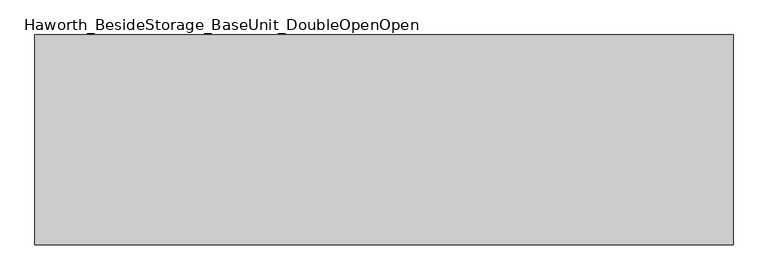
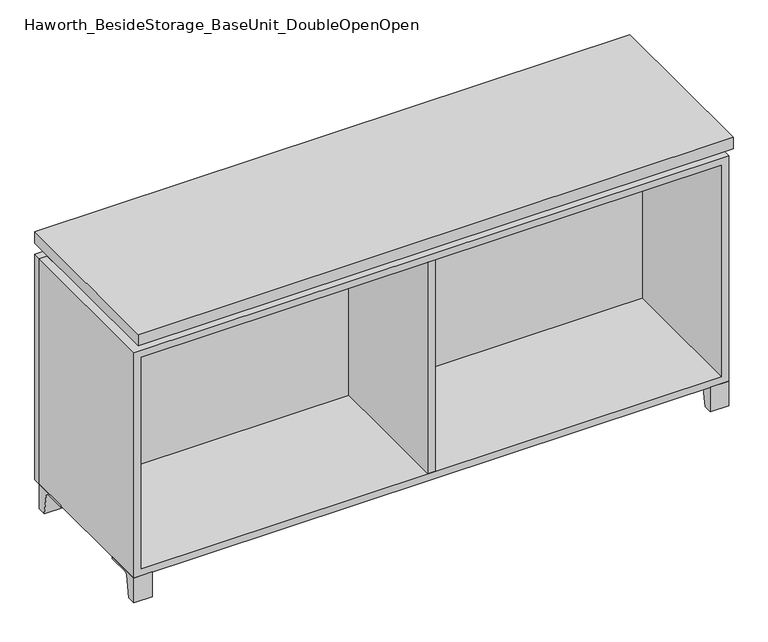
"""IFC4 building model written with IfcOpenShell, lengths in millimetres: furniture geometry, Haworth_BesideStorage_BaseUnit_DoubleOpenOpen."""

from ifc_helpers import new_model, si_unit, point, frame, frame_2d, origin, place, context, project, spatial, polyline, circle_curve, trimmed, segment, composite_curve, outline, extrude, faceted_brep, source, transform, mapped, element, save


def haworth_besidestorage_baseunit_doubleopenopen_915505ce(model_context):
    return source(origin(), model_context, "Body", "SolidModel", [
        extrude(outline(composite_curve([segment(polyline([(44.9791531, 0.0), (22.225, 0.0), (22.225, 66.675), (117.475, 66.675), (117.475, 61.8963321), (60.6744655, 61.8963321)]), True, "CONTINUOUS"), segment(trimmed(circle_curve(frame_2d((60.6744655, 55.5463321)), 6.35), [point((60.6744655, 61.8963321))], [point((54.4108641, 56.5902656))], True, "CARTESIAN"), True, "CONTINUOUS"), segment(polyline([(54.4108641, 56.5902656), (44.9791531, 0.0)]), True, "CONTINUOUS")], self_intersect=False)), frame((-23.7986094, 0.0, 0.0), z_axis=(1.0, 0.0, 0.0), x_axis=(0.0, 1.0, 0.0)), (0.0, 0.0, 1.0), 47.625),
        extrude(outline(composite_curve([segment(polyline([(-123.2958469, 0.0), (-146.05, 0.0), (-146.05, 66.675), (-50.8, 66.675), (-50.8, 61.8963321), (-107.6005345, 61.8963321)]), True, "CONTINUOUS"), segment(trimmed(circle_curve(frame_2d((-107.6005345, 55.5463321)), 6.35), [point((-107.6005345, 61.8963321))], [point((-113.8641359, 56.5902656))], True, "CARTESIAN"), True, "CONTINUOUS"), segment(polyline([(-113.8641359, 56.5902656), (-123.2958469, 0.0)]), True, "CONTINUOUS")], self_intersect=False)), frame((712.8013906, 0.0, 0.0), z_axis=(1.0, 0.0, 0.0), x_axis=(0.0, 1.0, 0.0)), (0.0, 0.0, 1.0), 47.625),
        extrude(outline(composite_curve([segment(polyline([(250.2958469, 0.0), (240.8641359, 56.5902656)]), True, "CONTINUOUS"), segment(trimmed(circle_curve(frame_2d((234.6005345, 55.5463321)), 6.35), [point((240.8641359, 56.5902656))], [point((234.6005345, 61.8963321))], True, "CARTESIAN"), True, "CONTINUOUS"), segment(polyline([(234.6005345, 61.8963321), (177.8, 61.8963321), (177.8, 66.675), (273.05, 66.675), (273.05, 0.0), (250.2958469, 0.0)]), True, "CONTINUOUS")], self_intersect=False)), frame((712.8013906, 0.0, 0.0), z_axis=(1.0, 0.0, 0.0), x_axis=(0.0, 1.0, 0.0)), (0.0, 0.0, 1.0), 47.625),
        extrude(outline(composite_curve([segment(polyline([(-123.2958469, 0.0), (-146.05, 0.0), (-146.05, 66.675), (-50.8, 66.675), (-50.8, 61.8963321), (-107.6005345, 61.8963321)]), True, "CONTINUOUS"), segment(trimmed(circle_curve(frame_2d((-107.6005345, 55.5463321)), 6.35), [point((-107.6005345, 61.8963321))], [point((-113.8641359, 56.5902656))], True, "CARTESIAN"), True, "CONTINUOUS"), segment(polyline([(-113.8641359, 56.5902656), (-123.2958469, 0.0)]), True, "CONTINUOUS")], self_intersect=False)), frame((-760.3986094, 0.0, 0.0), z_axis=(1.0, 0.0, 0.0), x_axis=(0.0, 1.0, 0.0)), (0.0, 0.0, 1.0), 47.625),
        extrude(outline(composite_curve([segment(polyline([(250.2958469, 0.0), (240.8641359, 56.5902656)]), True, "CONTINUOUS"), segment(trimmed(circle_curve(frame_2d((234.6005345, 55.5463321)), 6.35), [point((240.8641359, 56.5902656))], [point((234.6005345, 61.8963321))], True, "CARTESIAN"), True, "CONTINUOUS"), segment(polyline([(234.6005345, 61.8963321), (177.8, 61.8963321), (177.8, 66.675), (273.05, 66.675), (273.05, 0.0), (250.2958469, 0.0)]), True, "CONTINUOUS")], self_intersect=False)), frame((-760.3986094, 0.0, 0.0), z_axis=(1.0, 0.0, 0.0), x_axis=(0.0, 1.0, 0.0)), (0.0, 0.0, 1.0), 47.625),
        faceted_brep([(-760.3986094, -146.05, 66.675), (760.4125, -146.05, 66.675), (760.4125, -146.05, 676.275), (-760.3986094, -146.05, 676.275), (-741.3486094, -146.05, 85.725), (-741.3486094, -146.05, 657.225), (741.3694453, -146.05, 657.225), (741.3486094, -146.05, 85.725), (-760.3986094, 273.05, 66.675), (-760.3986094, 273.05, 676.275), (-741.3486094, 273.05, 676.275), (-741.3486094, 273.05, 85.725), (741.3486094, 273.05, 85.725), (741.3486094, 273.05, 676.275), (760.4125, 273.05, 676.275), (760.4125, 273.05, 66.675), (741.3486094, 247.65, 676.275), (-741.3416641, 247.65, 676.275), (-741.3486094, 247.65, 657.225), (741.3486094, 247.65, 657.225)], [[[0, 1, 2, 3], [4, 5, 6, 7]], [[8, 9, 10, 11, 12, 13, 14, 15]], [[1, 0, 8, 15]], [[2, 1, 15, 14]], [[3, 2, 14, 13, 16, 17, 10, 9]], [[0, 3, 9, 8]], [[11, 10, 17, 18, 5, 4]], [[13, 12, 7, 6, 19, 16]], [[4, 7, 12, 11]], [[6, 5, 18, 19]], [[17, 16, 19, 18]]]),
        extrude(outline(polyline([(760.4263906, -165.1), (-760.3986094, -165.1), (-760.3986094, 292.1), (760.4263906, 292.1), (760.4263906, -165.1)])), frame((0.0, 0.0, 706.4375), z_axis=(0.0, 0.0, 1.0), x_axis=(1.0, 0.0, 0.0)), (0.0, 0.0, 1.0), 30.1625),
        faceted_brep([(7.9513906, -69.85, 706.4375), (7.9513906, -69.85, 676.275), (7.9513906, 53.975, 676.275), (7.9513906, 53.975, 706.4375), (7.9513906, 196.85, 676.275), (7.9513906, 196.85, 706.4375), (7.9513906, 73.025, 706.4375), (7.9513906, 73.025, 676.275), (-7.9236094, 196.85, 706.4375), (-7.9236094, 196.85, 676.275), (-7.9236094, 73.025, 676.275), (-7.9236094, 73.025, 706.4375), (-7.9236094, -69.85, 676.275), (-7.9236094, -69.85, 706.4375), (-7.9236094, 53.975, 706.4375), (-7.9236094, 53.975, 676.275), (-719.0958281, 73.025, 706.4375), (-719.1166641, 247.65, 706.4375), (-734.9916641, 247.65, 706.4375), (-734.9916641, -120.65, 706.4375), (-719.1166641, -120.65, 706.4375), (-719.1166641, 53.975, 706.4375), (719.1236094, 53.975, 706.4375), (719.1236094, -120.65, 706.4375), (734.9986094, -120.65, 706.4375), (734.9986094, 247.65, 706.4375), (719.1236094, 247.65, 706.4375), (719.1236094, 73.025, 706.4375), (-719.0958281, 53.975, 676.275), (-719.1166641, -120.65, 676.275), (-734.9916641, -120.65, 676.275), (-734.9916641, 247.65, 676.275), (-719.1166641, 247.65, 676.275), (-719.1166641, 73.025, 676.275), (719.1236094, 73.025, 676.275), (719.1236094, 247.65, 676.275), (734.9986094, 247.65, 676.275), (734.9986094, -120.65, 676.275), (719.1236094, -120.65, 676.275), (719.1236094, 53.975, 676.275)], [[[0, 1, 2, 3]], [[4, 5, 6, 7]], [[8, 9, 10, 11]], [[12, 13, 14, 15]], [[5, 8, 11, 16, 17, 18, 19, 20, 21, 14, 13, 0, 3, 22, 23, 24, 25, 26, 27, 6]], [[1, 12, 15, 28, 29, 30, 31, 32, 33, 10, 9, 4, 7, 34, 35, 36, 37, 38, 39, 2]], [[5, 4, 9, 8]], [[1, 0, 13, 12]], [[6, 27, 34, 7]], [[22, 3, 2, 39]], [[20, 29, 28, 21]], [[32, 17, 16, 33]], [[18, 31, 30, 19]], [[29, 20, 19, 30]], [[17, 32, 31, 18]], [[26, 35, 34, 27]], [[38, 23, 22, 39]], [[25, 24, 37, 36]], [[23, 38, 37, 24]], [[35, 26, 25, 36]], [[16, 11, 10, 33]], [[14, 21, 28, 15]]]),
        extrude(outline(polyline([(9.5388906, 203.2), (9.5388906, -146.05), (-9.5111094, -146.05), (-9.5111094, 203.2), (9.5388906, 203.2)])), frame((0.0, 0.0, 85.725), z_axis=(0.0, 0.0, 1.0), x_axis=(1.0, 0.0, 0.0)), (0.0, 0.0, 1.0), 571.5),
        extrude(outline(polyline([(760.4263906, 273.05), (-760.3986094, 273.05), (-760.3986094, 292.1), (760.4263906, 292.1), (760.4263906, 273.05)])), frame((0.0, 0.0, 66.675), z_axis=(0.0, 0.0, 1.0), x_axis=(1.0, 0.0, 0.0)), (0.0, 0.0, 1.0), 609.6),
        extrude(outline(polyline([(-741.3416641, 203.2), (-741.3416641, 209.55), (741.3694453, 209.55), (741.3694453, 203.2), (-741.3416641, 203.2)])), frame((0.0, 0.0, 85.725), z_axis=(0.0, 0.0, 1.0), x_axis=(1.0, 0.0, 0.0)), (0.0, 0.0, 1.0), 571.5),
    ])


if __name__ == "__main__":
    model = new_model("IFC4")
    model_context = context("Model", 3, world=origin())
    ifc_project = project(units=[si_unit("LENGTHUNIT", "METRE", prefix="MILLI")], contexts=[model_context])
    site = spatial("IfcSite", under=ifc_project)
    building = spatial("IfcBuilding", under=site)
    placement = place(None, origin())
    haworth_besidestorage_baseunit_doubleopenopen_shape = haworth_besidestorage_baseunit_doubleopenopen_915505ce(model_context)
    element("IfcFurniture", 1, ObjectType="Haworth_BesideStorage_BaseUnit_DoubleOpenOpen", at=placement, inside=building, context=model_context, shape_type="MappedRepresentation", body=[
        mapped(haworth_besidestorage_baseunit_doubleopenopen_shape, transform((0.0, 0.0, 0.0), x_axis=(1.0, 0.0, 0.0), y_axis=(0.0, 1.0, 0.0), z_axis=(0.0, 0.0, 1.0))),
    ])
    save(model, "model.ifc")
